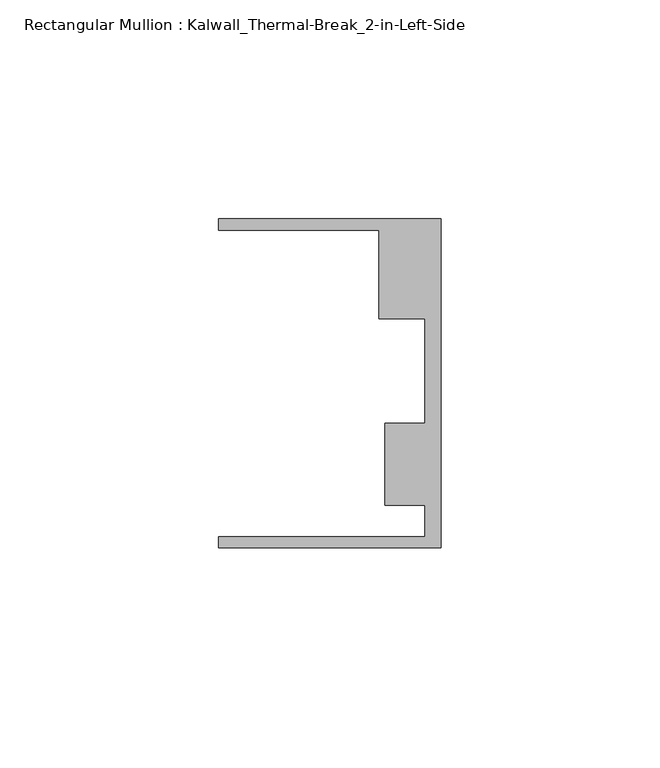
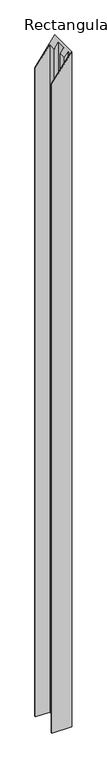
"""IFC4 building model written with IfcOpenShell, lengths in millimetres: member geometry, Rectangular Mullion : Kalwall_Thermal-Break_2-in-Left-Side."""

from ifc_helpers import new_model, si_unit, origin, place, context, project, spatial, faceted_brep, source, transform, mapped, element, save


def rectangular_mullion_kalwall_thermal_break_2_in_left_side_2e3dca24(model_context):
    return source(origin(), model_context, "Body", "Brep", [
        faceted_brep([(0.0, -37.5776386, -1827.425), (-50.8, -37.5776386, -1827.425), (-50.8, -35.0376386, -1827.425), (-3.7084, -35.0376386, -1827.425), (-3.7084, -27.8888568, -1827.425), (-12.8272539, -27.8888568, -1827.425), (-12.8272539, -9.1879886, -1827.425), (-3.7084, -9.1879886, -1827.425), (-3.7084, 14.7439614, -1827.425), (-14.1732, 14.7439614, -1827.425), (-14.1732, 34.9623614, -1827.425), (-50.8, 34.9623614, -1827.425), (-50.8, 37.5023614, -1827.425), (0.0, 37.5023614, -1827.425), (0.0, 37.5023614, 0.0), (0.0, -37.5776386, 0.0), (-50.8, 37.5023614, -70.60377), (-50.8, 34.9623614, -70.60377), (-14.1732, 34.9623614, -19.6984518), (-14.1732, 14.7439614, -19.6984518), (-3.7084, 14.7439614, -5.1540752), (-3.7084, -9.1879886, -5.1540752), (-12.8272539, -9.1879886, -17.8278048), (-12.8272539, -27.8888568, -17.8278048), (-3.7084, -27.8888568, -5.1540752), (-3.7084, -35.0376386, -5.1540752), (-50.8, -35.0376386, -70.60377), (-50.8, -37.5776386, -70.60377)], [[[0, 1, 2, 3, 4, 5, 6, 7, 8, 9, 10, 11, 12, 13]], [[14, 15, 0, 13]], [[16, 14, 13, 12]], [[17, 16, 12, 11]], [[18, 17, 11, 10]], [[19, 18, 10, 9]], [[20, 19, 9, 8]], [[21, 20, 8, 7]], [[22, 21, 7, 6]], [[23, 22, 6, 5]], [[24, 23, 5, 4]], [[25, 24, 4, 3]], [[26, 25, 3, 2]], [[27, 26, 2, 1]], [[15, 27, 1, 0]], [[15, 14, 16, 17, 18, 19, 20, 21, 22, 23, 24, 25, 26, 27]]]),
    ])


if __name__ == "__main__":
    model = new_model("IFC4")
    model_context = context("Model", 3, world=origin())
    ifc_project = project(units=[si_unit("LENGTHUNIT", "METRE", prefix="MILLI")], contexts=[model_context])
    site = spatial("IfcSite", under=ifc_project)
    building = spatial("IfcBuilding", under=site)
    placement = place(None, origin())
    rectangular_mullion_kalwall_thermal_break_2_in_left_side_shape = rectangular_mullion_kalwall_thermal_break_2_in_left_side_2e3dca24(model_context)
    element("IfcMember", 1, ObjectType="Rectangular Mullion : Kalwall_Thermal-Break_2-in-Left-Side", at=placement, inside=building, context=model_context, shape_type="MappedRepresentation", body=[
        mapped(rectangular_mullion_kalwall_thermal_break_2_in_left_side_shape, transform((0.0, 0.0, 0.0), x_axis=(1.0, 0.0, 0.0), y_axis=(0.0, 1.0, 0.0), z_axis=(0.0, 0.0, 1.0))),
    ])
    save(model, "model.ifc")
